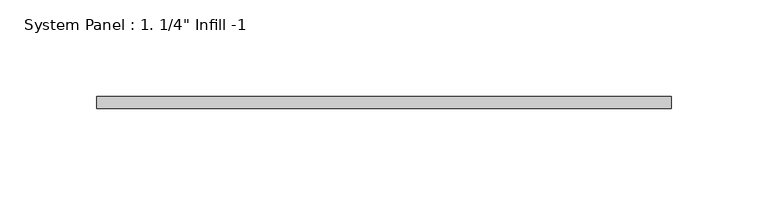
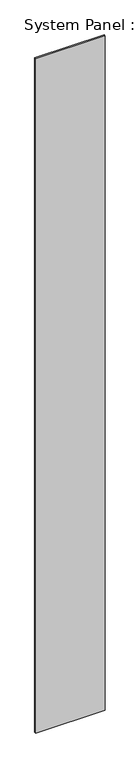
"""IFC4 building model written with IfcOpenShell, lengths in millimetres: plate geometry."""

from ifc_helpers import new_model, si_unit, origin, origin_with_axes, place, context, project, spatial, polyline, outline, extrude, source, transform, mapped, element, save


def plate_e5dc7dd8(model_context):
    return source(origin(), model_context, "Body", "SweptSolid", [
        extrude(outline(polyline([(148.8986605, -25.4), (-148.8986605, -25.4), (-148.8986605, -19.05), (148.8986605, -19.05), (148.8986605, -25.4)])), origin_with_axes(), (0.0, 0.0, 1.0), 3048.0),
    ])


if __name__ == "__main__":
    model = new_model("IFC4")
    model_context = context("Model", 3, world=origin())
    ifc_project = project(units=[si_unit("LENGTHUNIT", "METRE", prefix="MILLI")], contexts=[model_context])
    site = spatial("IfcSite", under=ifc_project)
    building = spatial("IfcBuilding", under=site)
    placement = place(None, origin())
    plate_shape = plate_e5dc7dd8(model_context)
    element("IfcPlate", 1, ObjectType="System Panel : 1. 1/4\" Infill -1", at=placement, inside=building, context=model_context, shape_type="MappedRepresentation", body=[
        mapped(plate_shape, transform((0.0, 0.0, 0.0), x_axis=(1.0, 0.0, 0.0), y_axis=(0.0, 1.0, 0.0), z_axis=(0.0, 0.0, 1.0))),
    ])
    save(model, "model.ifc")
